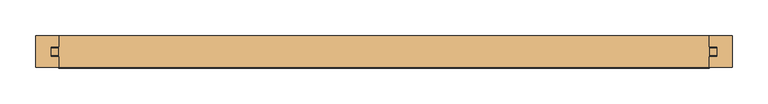
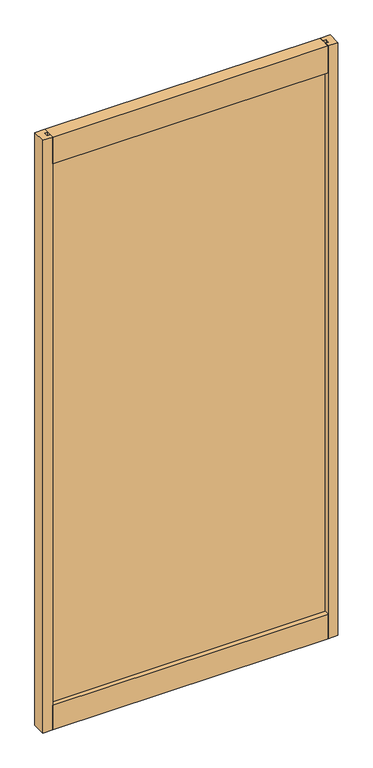
"""IFC4 building model written with IfcOpenShell, lengths in millimetres: door geometry."""

from ifc_helpers import new_model, si_unit, frame, origin, place, context, project, spatial, polyline, outline, extrude, source, transform, mapped, element, save


def door_2fe8ff0e(model_context):
    return source(origin(), model_context, "Body", "SweptSolid", [
        extrude(outline(polyline([(468.8664326, 5.0038), (468.8664326, -5.0038), (-468.8664326, -5.0038), (-468.8664326, 5.0038), (468.8664326, 5.0038)])), frame((0.0, 0.0, 95.25), z_axis=(0.0, 0.0, 1.0), x_axis=(1.0, 0.0, 0.0)), (0.0, 0.0, 1.0), 1916.1635027),
        extrude(outline(polyline([(-490.4564326, 22.225), (-457.4364326, 22.225), (-457.4364326, 7.239), (-468.8664326, 7.239), (-468.8664326, -7.239), (-457.4364326, -7.239), (-457.4364326, -22.225), (-490.4564326, -22.225), (-490.4564326, 22.225)])), frame((0.0, 0.0, 12.7), z_axis=(0.0, 0.0, 1.0), x_axis=(1.0, 0.0, 0.0)), (0.0, 0.0, 1.0), 2081.2635027),
        extrude(outline(polyline([(490.4564326, 22.225), (490.4564326, -22.225), (457.4364326, -22.225), (457.4364326, -7.239), (468.8664326, -7.239), (468.8664326, 7.239), (457.4364326, 7.239), (457.4364326, 22.225), (490.4564326, 22.225)])), frame((0.0, 0.0, 12.7), z_axis=(0.0, 0.0, 1.0), x_axis=(1.0, 0.0, 0.0)), (0.0, 0.0, 1.0), 2081.2635027),
        extrude(outline(polyline([(22.733, 12.7), (-22.733, 12.7), (-22.733, 99.06), (-7.239, 99.06), (-7.239, 87.63), (7.239, 87.63), (7.239, 99.06), (22.733, 99.06), (22.733, 12.7)])), frame((-457.4364326, 0.0, 0.0), z_axis=(1.0, 0.0, 0.0), x_axis=(0.0, 1.0, 0.0)), (0.0, 0.0, 1.0), 914.8728651),
        extrude(outline(polyline([(-22.225, 2093.9635027), (22.225, 2093.9635027), (22.225, 1999.9835027), (6.731, 1999.9835027), (6.731, 2011.4135027), (-6.731, 2011.4135027), (-6.731, 1999.9835027), (-22.225, 1999.9835027), (-22.225, 2093.9635027)])), frame((-457.4364326, 0.0, 0.0), z_axis=(1.0, 0.0, 0.0), x_axis=(0.0, 1.0, 0.0)), (0.0, 0.0, 1.0), 914.8728651),
    ])


if __name__ == "__main__":
    model = new_model("IFC4")
    model_context = context("Model", 3, world=origin())
    ifc_project = project(units=[si_unit("LENGTHUNIT", "METRE", prefix="MILLI")], contexts=[model_context])
    site = spatial("IfcSite", under=ifc_project)
    building = spatial("IfcBuilding", under=site)
    placement = place(None, origin())
    door_shape = door_2fe8ff0e(model_context)
    element("IfcDoor", 1, at=placement, inside=building, context=model_context, shape_type="MappedRepresentation", body=[
        mapped(door_shape, transform((0.0, 0.0, 0.0), x_axis=(1.0, 0.0, 0.0), y_axis=(0.0, 1.0, 0.0), z_axis=(0.0, 0.0, 1.0))),
    ])
    save(model, "model.ifc")
